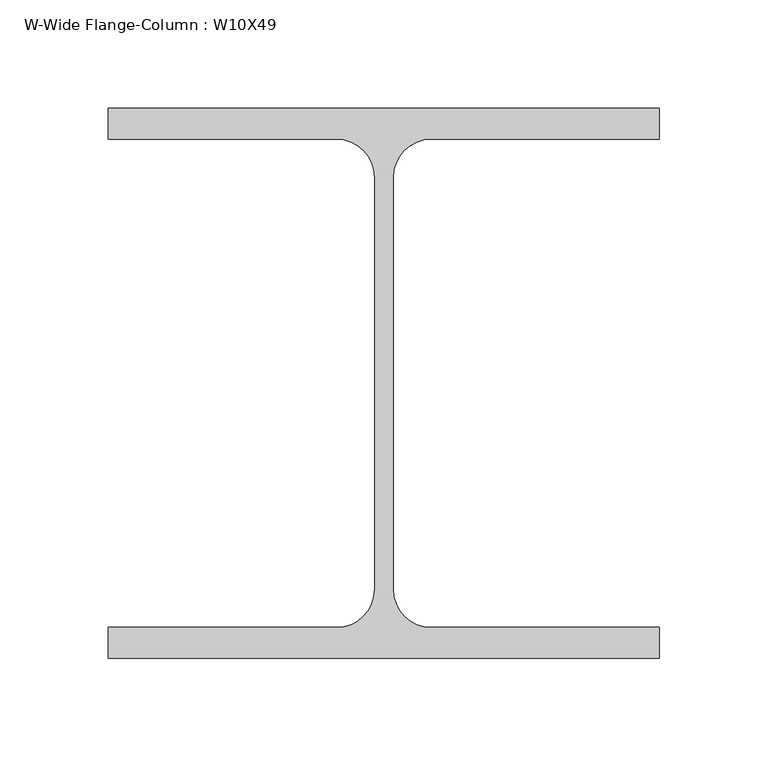
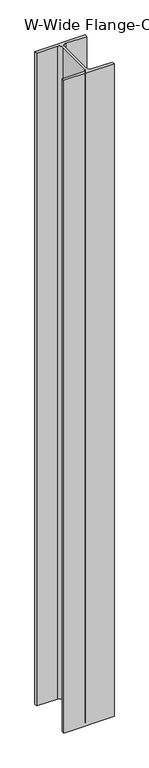
"""IFC4 building model written with IfcOpenShell, lengths in millimetres: column geometry, W-Wide Flange-Column : W10X49."""

from ifc_helpers import new_model, si_unit, point, frame, frame_2d, origin, place, context, project, spatial, polyline, circle_curve, trimmed, segment, composite_curve, outline, extrude, source, transform, mapped, element, save


def w_wide_flange_column_w10x49_f71e2559(model_context):
    return source(origin(), model_context, "Body", "SweptSolid", [
        extrude(outline(composite_curve([segment(polyline([(127.0, 126.7519531), (127.0, 112.5636719), (21.8777344, 112.5636719)]), True, "CONTINUOUS"), segment(trimmed(circle_curve(frame_2d((21.8777344, 95.0019531)), 17.5617188), [point((21.8777344, 112.5636719))], [point((4.3160156, 95.0019531))], True, "CARTESIAN"), True, "CONTINUOUS"), segment(polyline([(4.3160156, 95.0019531), (4.3160156, -95.0019531)]), True, "CONTINUOUS"), segment(trimmed(circle_curve(frame_2d((21.8777344, -95.0019531)), 17.5617187), [point((4.3160156, -95.0019531))], [point((21.8777344, -112.5636719))], True, "CARTESIAN"), True, "CONTINUOUS"), segment(polyline([(21.8777344, -112.5636719), (127.0, -112.5636719), (127.0, -126.7519531), (-127.0, -126.7519531), (-127.0, -112.5636719), (-21.8777344, -112.5636719)]), True, "CONTINUOUS"), segment(trimmed(circle_curve(frame_2d((-21.8777344, -95.0019531)), 17.5617187), [point((-21.8777344, -112.5636719))], [point((-4.3160156, -95.0019531))], True, "CARTESIAN"), True, "CONTINUOUS"), segment(polyline([(-4.3160156, -95.0019531), (-4.3160156, 95.0019531)]), True, "CONTINUOUS"), segment(trimmed(circle_curve(frame_2d((-21.8777344, 95.0019531)), 17.5617188), [point((-4.3160156, 95.0019531))], [point((-21.8777344, 112.5636719))], True, "CARTESIAN"), True, "CONTINUOUS"), segment(polyline([(-21.8777344, 112.5636719), (-127.0, 112.5636719), (-127.0, 126.7519531), (127.0, 126.7519531)]), True, "CONTINUOUS")], self_intersect=False)), frame((0.0, 0.0, -450.0), z_axis=(0.0, 0.0, 1.0), x_axis=(1.0, 0.0, 0.0)), (0.0, 0.0, 1.0), 3490.0),
    ])


if __name__ == "__main__":
    model = new_model("IFC4")
    model_context = context("Model", 3, world=origin())
    ifc_project = project(units=[si_unit("LENGTHUNIT", "METRE", prefix="MILLI")], contexts=[model_context])
    site = spatial("IfcSite", under=ifc_project)
    building = spatial("IfcBuilding", under=site)
    placement = place(None, origin())
    w_wide_flange_column_w10x49_shape = w_wide_flange_column_w10x49_f71e2559(model_context)
    element("IfcColumn", 1, ObjectType="W-Wide Flange-Column : W10X49", at=placement, inside=building, context=model_context, shape_type="MappedRepresentation", body=[
        mapped(w_wide_flange_column_w10x49_shape, transform((0.0, 0.0, 0.0), x_axis=(1.0, 0.0, 0.0), y_axis=(0.0, 1.0, 0.0), z_axis=(0.0, 0.0, 1.0))),
    ])
    save(model, "model.ifc")
